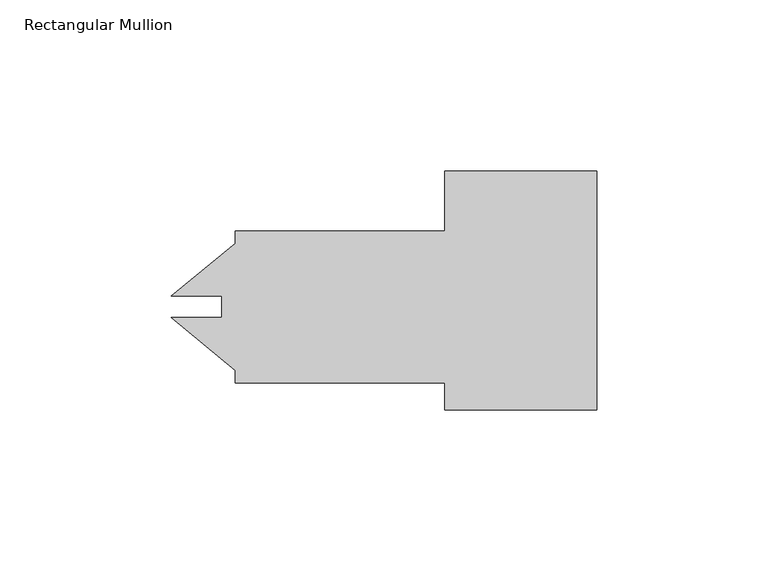
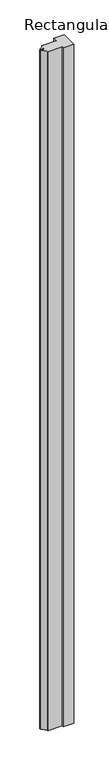
"""IFC4 building model written with IfcOpenShell, lengths in millimetres: member geometry, Rectangular Mullion."""

from ifc_helpers import new_model, si_unit, frame, origin, place, context, project, spatial, polyline, outline, extrude, source, transform, mapped, element, save


def rectangular_mullion_09bafc59(model_context):
    return source(origin(), model_context, "Body", "SweptSolid", [
        extrude(outline(polyline([(-44.45, -52.2181666), (0.0, -52.2181666), (0.0, -122.0681666), (-44.45, -122.0681666), (-44.45, -114.1306666), (-105.5624, -114.1306666), (-105.5624, -110.4245026), (-124.2676457, -95.0777002), (-109.5248, -95.0777002), (-109.5248, -88.7322593), (-124.2659714, -88.7322593), (-105.5624, -73.3868306), (-105.5624, -69.6806666), (-44.45, -69.6806666), (-44.45, -52.2181666)])), frame((0.0, 0.0, -3048.0), z_axis=(0.0, 0.0, 1.0), x_axis=(1.0, 0.0, 0.0)), (0.0, 0.0, 1.0), 3048.0),
    ])


if __name__ == "__main__":
    model = new_model("IFC4")
    model_context = context("Model", 3, world=origin())
    ifc_project = project(units=[si_unit("LENGTHUNIT", "METRE", prefix="MILLI")], contexts=[model_context])
    site = spatial("IfcSite", under=ifc_project)
    building = spatial("IfcBuilding", under=site)
    placement = place(None, origin())
    rectangular_mullion_shape = rectangular_mullion_09bafc59(model_context)
    element("IfcMember", 1, ObjectType="Rectangular Mullion", at=placement, inside=building, context=model_context, shape_type="MappedRepresentation", body=[
        mapped(rectangular_mullion_shape, transform((0.0, 0.0, 0.0), x_axis=(1.0, 0.0, 0.0), y_axis=(0.0, 1.0, 0.0), z_axis=(0.0, 0.0, 1.0))),
    ])
    save(model, "model.ifc")
